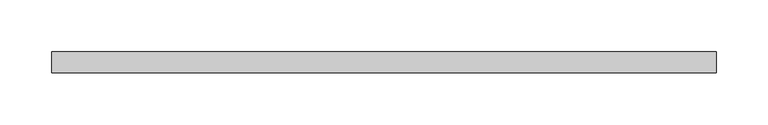
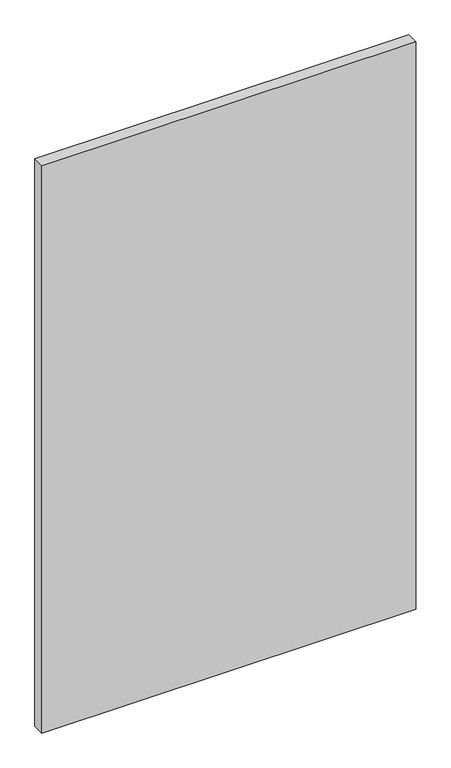
"""IFC4 building model written with IfcOpenShell, lengths in millimetres: plate geometry."""

from ifc_helpers import new_model, si_unit, origin, origin_with_axes, place, context, project, spatial, polyline, outline, extrude, source, transform, mapped, element, save


def plate_5d596892(model_context):
    return source(origin(), model_context, "Body", "SweptSolid", [
        extrude(outline(polyline([(319.5, 20.0), (-319.5, 20.0), (-319.5, 40.0), (319.5, 40.0), (319.5, 20.0)])), origin_with_axes(), (0.0, 0.0, 1.0), 1025.0),
    ])


if __name__ == "__main__":
    model = new_model("IFC4")
    model_context = context("Model", 3, world=origin())
    ifc_project = project(units=[si_unit("LENGTHUNIT", "METRE", prefix="MILLI")], contexts=[model_context])
    site = spatial("IfcSite", under=ifc_project)
    building = spatial("IfcBuilding", under=site)
    placement = place(None, origin())
    plate_shape = plate_5d596892(model_context)
    element("IfcPlate", 1, at=placement, inside=building, context=model_context, shape_type="MappedRepresentation", body=[
        mapped(plate_shape, transform((0.0, 0.0, 0.0), x_axis=(1.0, 0.0, 0.0), y_axis=(0.0, 1.0, 0.0), z_axis=(0.0, 0.0, 1.0))),
    ])
    save(model, "model.ifc")
